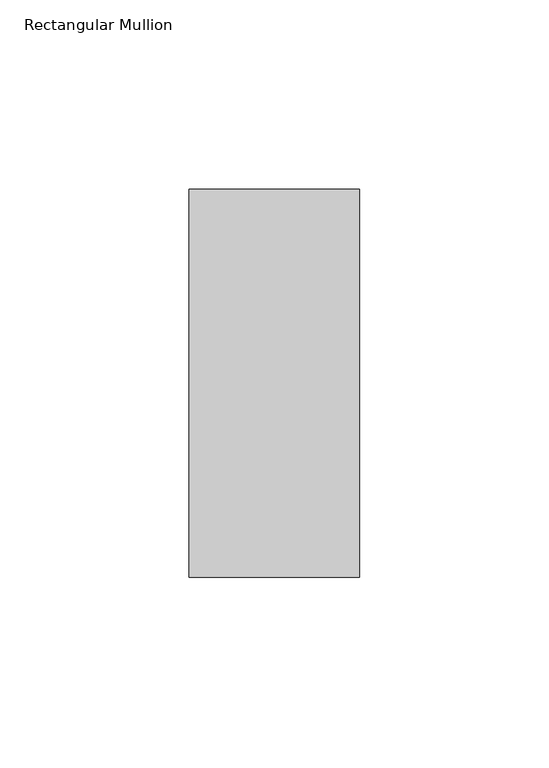
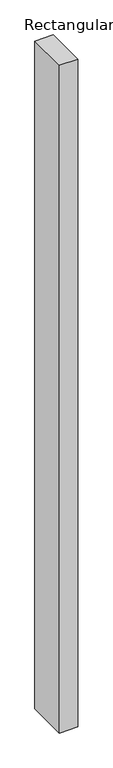
"""IFC4 building model written with IfcOpenShell, lengths in millimetres: member geometry, Rectangular Mullion."""

from ifc_helpers import new_model, si_unit, frame, origin, place, context, project, spatial, polyline, outline, extrude, source, transform, mapped, element, save


def rectangular_mullion_10fbeaf5(model_context):
    return source(origin(), model_context, "Body", "SweptSolid", [
        extrude(outline(polyline([(22.5, 66.73125), (22.5, -35.73125), (-22.5, -35.73125), (-22.5, 66.73125), (22.5, 66.73125)])), frame((0.0, 0.0, -1708.8912252), z_axis=(0.0, 0.0, 1.0), x_axis=(1.0, 0.0, 0.0)), (0.0, 0.0, 1.0), 1708.8912252),
    ])


if __name__ == "__main__":
    model = new_model("IFC4")
    model_context = context("Model", 3, world=origin())
    ifc_project = project(units=[si_unit("LENGTHUNIT", "METRE", prefix="MILLI")], contexts=[model_context])
    site = spatial("IfcSite", under=ifc_project)
    building = spatial("IfcBuilding", under=site)
    placement = place(None, origin())
    rectangular_mullion_shape = rectangular_mullion_10fbeaf5(model_context)
    element("IfcMember", 1, ObjectType="Rectangular Mullion", at=placement, inside=building, context=model_context, shape_type="MappedRepresentation", body=[
        mapped(rectangular_mullion_shape, transform((0.0, 0.0, 0.0), x_axis=(1.0, 0.0, 0.0), y_axis=(0.0, 1.0, 0.0), z_axis=(0.0, 0.0, 1.0))),
    ])
    save(model, "model.ifc")
